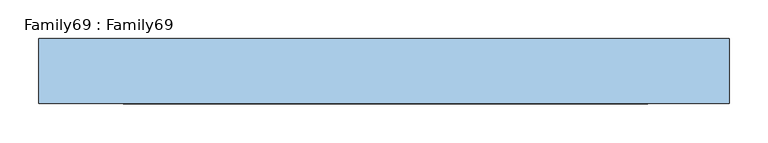
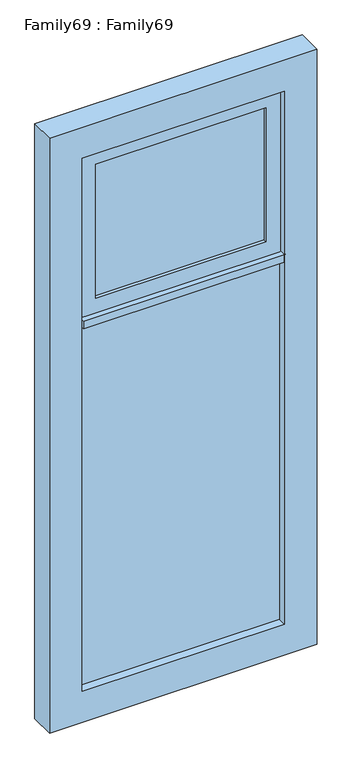
"""IFC4 building model written with IfcOpenShell, lengths in millimetres: window geometry, Family69 : Family69."""

import ifcopenshell
import ifcopenshell.guid

model = None  # the IFC model being written
_history = None  # IfcOwnerHistory: only IFC2X3 demands one
_inside = {}  # id of a spatial element -> (the spatial element, [elements in it])
_under = {}  # id of a project, library or spatial element -> (it, [spatial elements below it])
_declared = {}  # id of a project -> (the project, [libraries it declares])
_typed = {}  # id of a type object -> (the type object, [elements of that type])
_made_of = {}  # id of a material, layer set ... -> (it, [elements and type objects made of it])


def new_model(schema):
    """Start an empty IFC model of exactly this schema.

    Asked for "IFC4X3", IfcOpenShell would pick the latest addendum, in which some entities
    have other attributes; the version numbers below select the first issue.
    IFC2X3 requires an IfcOwnerHistory on every rooted entity: one is made here for all.
    """
    global model, _history
    if schema == "IFC4X3":
        model = ifcopenshell.file(schema_version=(4, 3, 0, 0))
    else:
        model = ifcopenshell.file(schema=schema)
    _inside.clear()
    _under.clear()
    _declared.clear()
    _typed.clear()
    _made_of.clear()
    _history = None
    if model.schema == "IFC2X3":
        org = make("IfcOrganization", Name="unknown")
        user = make(
            "IfcPersonAndOrganization",
            ThePerson=make("IfcPerson", FamilyName="unknown"),
            TheOrganization=org,
        )
        app = make(
            "IfcApplication",
            ApplicationDeveloper=org,
            Version="unknown",
            ApplicationFullName="unknown",
            ApplicationIdentifier="unknown",
        )
        _history = make(
            "IfcOwnerHistory",
            OwningUser=user,
            OwningApplication=app,
            ChangeAction="ADDED",
            CreationDate=0,
        )
    return model


def make(cls, **values):
    """One entity of the class cls with the attributes given. An attribute that is None is left unset."""
    return model.create_entity(
        cls, **{name: value for name, value in values.items() if value is not None}
    )


def rooted(cls, **values):
    """An entity with a GlobalId (a new one), such as an element, a storey or a relation."""
    return make(cls, GlobalId=ifcopenshell.guid.new(), OwnerHistory=_history, **values)


def si_unit(unit_type, name, prefix=None):
    """IfcSIUnit, for example si_unit("LENGTHUNIT", "METRE", prefix="MILLI")."""
    return make("IfcSIUnit", UnitType=unit_type, Prefix=prefix, Name=name)


def assignment(units):
    """IfcUnitAssignment: the units of a project."""
    return None if units is None else make("IfcUnitAssignment", Units=units)


def point(xyz):
    """IfcCartesianPoint."""
    return None if xyz is None else make("IfcCartesianPoint", Coordinates=xyz)


def direction(xyz):
    """IfcDirection."""
    return None if xyz is None else make("IfcDirection", DirectionRatios=xyz)


def frame(location, z_axis=None, x_axis=None):
    """IfcAxis2Placement3D, a coordinate frame: its origin and axes. An axis left out is left unset."""
    return make(
        "IfcAxis2Placement3D",
        Location=point(location),
        Axis=direction(z_axis),
        RefDirection=direction(x_axis),
    )


def origin():
    """The frame at (0, 0, 0) with its axes left unset."""
    return frame((0.0, 0.0, 0.0))


def place(relative_to, where):
    """IfcLocalPlacement: puts the frame where relative to a parent placement (None: the world)."""
    return make(
        "IfcLocalPlacement", PlacementRelTo=relative_to, RelativePlacement=where
    )


def context(
    kind, dimensions, precision=None, world=None, true_north=None, identifier=None
):
    """IfcGeometricRepresentationContext, for example the 3D "Model" context."""
    return make(
        "IfcGeometricRepresentationContext",
        ContextIdentifier=identifier,
        ContextType=kind,
        CoordinateSpaceDimension=dimensions,
        Precision=precision,
        WorldCoordinateSystem=world,
        TrueNorth=true_north,
    )


def project(units=None, contexts=None):
    """IfcProject with its units and contexts."""
    return rooted(
        "IfcProject",
        Name="project",
        RepresentationContexts=contexts,
        UnitsInContext=assignment(units),
    )


def spatial(cls, under=None, at=None, **own):
    """A site, building, storey or space (cls), placed at a placement, below another one or the project."""
    s = rooted(cls, ObjectPlacement=at, **own)
    if under is not None:
        _under.setdefault(under.id(), (under, []))[1].append(s)
    return s


def polyline(points):
    """IfcPolyline through the points."""
    return make("IfcPolyline", Points=[point(p) for p in points])


def outline(outer, holes=None, kind="AREA"):
    """IfcArbitraryClosedProfileDef: a profile drawn as a closed curve; with holes, ...WithVoids."""
    if holes is None:
        return make("IfcArbitraryClosedProfileDef", ProfileType=kind, OuterCurve=outer)
    return make(
        "IfcArbitraryProfileDefWithVoids",
        ProfileType=kind,
        OuterCurve=outer,
        InnerCurves=holes,
    )


def extrude(swept, where, along, depth):
    """IfcExtrudedAreaSolid: the profile swept, set in the frame where, extruded along a direction by depth."""
    return make(
        "IfcExtrudedAreaSolid",
        SweptArea=swept,
        Position=where,
        ExtrudedDirection=direction(along),
        Depth=depth,
    )


def shape(context_of_items, identifier, shape_type, items):
    """IfcShapeRepresentation: the items that make up one representation, for example the "Body"."""
    return make(
        "IfcShapeRepresentation",
        ContextOfItems=context_of_items,
        RepresentationIdentifier=identifier,
        RepresentationType=shape_type,
        Items=items,
    )


def source(mapping_origin, context_of_items, identifier, shape_type, items):
    """IfcRepresentationMap: a shape defined once, which mapped items show again and again."""
    return make(
        "IfcRepresentationMap",
        MappingOrigin=mapping_origin,
        MappedRepresentation=shape(context_of_items, identifier, shape_type, items),
    )


def transform(
    local_origin,
    x_axis=None,
    y_axis=None,
    z_axis=None,
    scale=None,
    scale2=None,
    scale3=None,
    uniform=True,
):
    """IfcCartesianTransformationOperator3D, or its non-uniform kind. x_axis, y_axis, z_axis: its Axis1, 2, 3."""
    if uniform:
        return make(
            "IfcCartesianTransformationOperator3D",
            Axis1=direction(x_axis),
            Axis2=direction(y_axis),
            LocalOrigin=point(local_origin),
            Scale=scale,
            Axis3=direction(z_axis),
        )
    return make(
        "IfcCartesianTransformationOperator3DnonUniform",
        Axis1=direction(x_axis),
        Axis2=direction(y_axis),
        LocalOrigin=point(local_origin),
        Scale=scale,
        Axis3=direction(z_axis),
        Scale2=scale2,
        Scale3=scale3,
    )


def mapped(mapping_source, mapping_target):
    """IfcMappedItem: shows the shape of a source again, moved by a transform."""
    return make(
        "IfcMappedItem", MappingSource=mapping_source, MappingTarget=mapping_target
    )


def made_of(thing, what):
    """Note that an element or type object is made of a material, layer set ...; save() writes the relation."""
    if what is not None:
        _made_of.setdefault(what.id(), (what, []))[1].append(thing)
    return thing


def element(
    cls,
    number,
    at=None,
    inside=None,
    cuts=None,
    type_object=None,
    material=None,
    context=None,
    identifier="Body",
    shape_type=None,
    held_by="IfcProductDefinitionShape",
    body=None,
    shapes=None,
    **own,
):
    """One element of the class cls, such as IfcWall. Its Tag is "e" and its number.

    at: its placement. inside: the storey or other place that contains it. cuts: it is an
    opening in that element (IfcRelVoidsElement). A single representation is given by context,
    identifier, shape_type and body (its items); several are given by shapes. held_by: the class
    of the entity that holds the representations. save() writes the other relations.
    """
    e = rooted(cls, Tag="e%d" % number, ObjectPlacement=at, **own)
    if body is not None:
        shapes = [shape(context, identifier, shape_type, body)]
    if shapes is not None:
        e.Representation = make(held_by, Representations=shapes)
    if inside is not None:
        _inside.setdefault(inside.id(), (inside, []))[1].append(e)
    if cuts is not None:
        rooted(
            "IfcRelVoidsElement", RelatingBuildingElement=cuts, RelatedOpeningElement=e
        )
    if type_object is not None:
        _typed.setdefault(type_object.id(), (type_object, []))[1].append(e)
    return made_of(e, material)


def aggregate(whole, parts):
    """IfcRelAggregates: a whole, such as a stair, and the parts it consists of."""
    return rooted("IfcRelAggregates", RelatingObject=whole, RelatedObjects=parts)


def save(model, path):
    """Write the relations noted so far, then the file.

    IfcRelAggregates (storeys below a building ...), IfcRelContainedInSpatialStructure (elements
    in a storey), IfcRelDefinesByType, IfcRelAssociatesMaterial and IfcRelDeclares: one each for
    every whole, place, type object, material and project.
    """
    for whole, parts in _under.values():
        aggregate(whole, parts)
    for where, things in _inside.values():
        rooted(
            "IfcRelContainedInSpatialStructure",
            RelatedElements=things,
            RelatingStructure=where,
        )
    for kind, things in _typed.values():
        rooted("IfcRelDefinesByType", RelatedObjects=things, RelatingType=kind)
    for what, things in _made_of.values():
        rooted("IfcRelAssociatesMaterial", RelatedObjects=things, RelatingMaterial=what)
    for by, libraries in _declared.values():
        rooted("IfcRelDeclares", RelatingContext=by, RelatedDefinitions=libraries)
    model.write(path)


def family69_family69_eda689e4(model_context):
    return source(origin(), model_context, "Body", "SweptSolid", [
        extrude(outline(polyline([(336.0, 14.0), (336.0, 10.0), (-336.0, 10.0), (-336.0, 14.0), (336.0, 14.0)])), frame((0.0, 0.0, 209.0), z_axis=(0.0, 0.0, 1.0), x_axis=(1.0, 0.0, 0.0)), (0.0, 0.0, 1.0), 1271.0),
        extrude(outline(polyline([(336.0, -10.0), (336.0, -14.0), (-336.0, -14.0), (-336.0, -10.0), (336.0, -10.0)])), frame((0.0, 0.0, 209.0), z_axis=(0.0, 0.0, 1.0), x_axis=(1.0, 0.0, 0.0)), (0.0, 0.0, 1.0), 1271.0),
        extrude(outline(polyline([(2190.0, 445.0), (2190.0, -445.0), (100.0, -445.0), (100.0, 445.0), (2190.0, 445.0)]), holes=[polyline([(209.0, 336.0), (209.0, -336.0), (2081.0, -336.0), (2081.0, 336.0), (209.0, 336.0)])]), frame((0.0, -42.0, 0.0), z_axis=(0.0, 1.0, 0.0), x_axis=(0.0, 0.0, 1.0)), (0.0, 0.0, 1.0), 84.0),
        extrude(outline(polyline([(284.8007597, 14.0), (284.8007597, 10.0), (-281.0, 10.0), (-281.0, 14.0), (284.8007597, 14.0)])), frame((0.0, 0.0, 1560.0), z_axis=(0.0, 0.0, 1.0), x_axis=(1.0, 0.0, 0.0)), (0.0, 0.0, 1.0), 471.0),
        extrude(outline(polyline([(284.8007597, -10.0), (284.8007597, -14.0), (-281.0, -14.0), (-281.0, -10.0), (284.8007597, -10.0)])), frame((0.0, 0.0, 1560.0), z_axis=(0.0, 0.0, 1.0), x_axis=(1.0, 0.0, 0.0)), (0.0, 0.0, 1.0), 471.0),
        extrude(outline(polyline([(340.0, -42.0), (-332.0, -42.0), (-332.0, 42.0), (340.0, 42.0), (340.0, -42.0)])), frame((0.0, 0.0, 1480.0), z_axis=(0.0, 0.0, 1.0), x_axis=(1.0, 0.0, 0.0)), (0.0, 0.0, 1.0), 27.9153805),
        extrude(outline(polyline([(2079.4856925, 333.9730701), (2079.4856925, -333.0222141), (1507.9153805, -333.0222141), (1507.9153805, 333.9730701), (2079.4856925, 333.9730701)]), holes=[polyline([(1560.0, 284.8007597), (1560.0, -281.0), (2031.0, -281.0), (2031.0, 284.8007597), (1560.0, 284.8007597)])]), frame((0.0, -24.8246166, 0.0), z_axis=(0.0, 1.0, 0.0), x_axis=(0.0, 0.0, 1.0)), (0.0, 0.0, 1.0), 64.5445733),
    ])


if __name__ == "__main__":
    model = new_model("IFC4")
    model_context = context("Model", 3, world=origin())
    ifc_project = project(units=[si_unit("LENGTHUNIT", "METRE", prefix="MILLI")], contexts=[model_context])
    site = spatial("IfcSite", under=ifc_project)
    building = spatial("IfcBuilding", under=site)
    placement = place(None, origin())
    family69_family69_shape = family69_family69_eda689e4(model_context)
    element("IfcWindow", 1, ObjectType="Family69 : Family69", at=placement, inside=building, context=model_context, shape_type="MappedRepresentation", body=[
        mapped(family69_family69_shape, transform((0.0, 0.0, 0.0), x_axis=(1.0, 0.0, 0.0), y_axis=(0.0, 1.0, 0.0), z_axis=(0.0, 0.0, 1.0))),
    ])
    save(model, "model.ifc")
